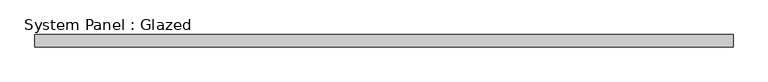
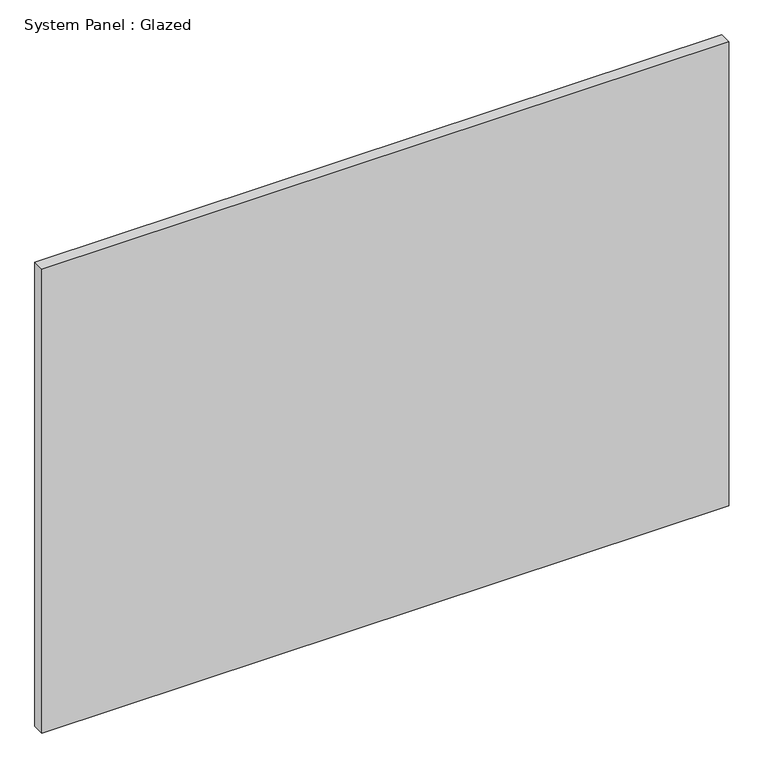
"""IFC4 building model written with IfcOpenShell, lengths in millimetres: plate geometry, System Panel : Glazed."""

import ifcopenshell
import ifcopenshell.guid

model = None  # the IFC model being written
_history = None  # IfcOwnerHistory: only IFC2X3 demands one
_inside = {}  # id of a spatial element -> (the spatial element, [elements in it])
_under = {}  # id of a project, library or spatial element -> (it, [spatial elements below it])
_declared = {}  # id of a project -> (the project, [libraries it declares])
_typed = {}  # id of a type object -> (the type object, [elements of that type])
_made_of = {}  # id of a material, layer set ... -> (it, [elements and type objects made of it])


def new_model(schema):
    """Start an empty IFC model of exactly this schema.

    Asked for "IFC4X3", IfcOpenShell would pick the latest addendum, in which some entities
    have other attributes; the version numbers below select the first issue.
    IFC2X3 requires an IfcOwnerHistory on every rooted entity: one is made here for all.
    """
    global model, _history
    if schema == "IFC4X3":
        model = ifcopenshell.file(schema_version=(4, 3, 0, 0))
    else:
        model = ifcopenshell.file(schema=schema)
    _inside.clear()
    _under.clear()
    _declared.clear()
    _typed.clear()
    _made_of.clear()
    _history = None
    if model.schema == "IFC2X3":
        org = make("IfcOrganization", Name="unknown")
        user = make(
            "IfcPersonAndOrganization",
            ThePerson=make("IfcPerson", FamilyName="unknown"),
            TheOrganization=org,
        )
        app = make(
            "IfcApplication",
            ApplicationDeveloper=org,
            Version="unknown",
            ApplicationFullName="unknown",
            ApplicationIdentifier="unknown",
        )
        _history = make(
            "IfcOwnerHistory",
            OwningUser=user,
            OwningApplication=app,
            ChangeAction="ADDED",
            CreationDate=0,
        )
    return model


def make(cls, **values):
    """One entity of the class cls with the attributes given. An attribute that is None is left unset."""
    return model.create_entity(
        cls, **{name: value for name, value in values.items() if value is not None}
    )


def rooted(cls, **values):
    """An entity with a GlobalId (a new one), such as an element, a storey or a relation."""
    return make(cls, GlobalId=ifcopenshell.guid.new(), OwnerHistory=_history, **values)


def si_unit(unit_type, name, prefix=None):
    """IfcSIUnit, for example si_unit("LENGTHUNIT", "METRE", prefix="MILLI")."""
    return make("IfcSIUnit", UnitType=unit_type, Prefix=prefix, Name=name)


def assignment(units):
    """IfcUnitAssignment: the units of a project."""
    return None if units is None else make("IfcUnitAssignment", Units=units)


def point(xyz):
    """IfcCartesianPoint."""
    return None if xyz is None else make("IfcCartesianPoint", Coordinates=xyz)


def direction(xyz):
    """IfcDirection."""
    return None if xyz is None else make("IfcDirection", DirectionRatios=xyz)


def frame(location, z_axis=None, x_axis=None):
    """IfcAxis2Placement3D, a coordinate frame: its origin and axes. An axis left out is left unset."""
    return make(
        "IfcAxis2Placement3D",
        Location=point(location),
        Axis=direction(z_axis),
        RefDirection=direction(x_axis),
    )


def origin():
    """The frame at (0, 0, 0) with its axes left unset."""
    return frame((0.0, 0.0, 0.0))


def origin_with_axes():
    """The frame at (0, 0, 0) with the z axis (0, 0, 1) and the x axis (1, 0, 0) written out."""
    return frame((0.0, 0.0, 0.0), z_axis=(0.0, 0.0, 1.0), x_axis=(1.0, 0.0, 0.0))


def place(relative_to, where):
    """IfcLocalPlacement: puts the frame where relative to a parent placement (None: the world)."""
    return make(
        "IfcLocalPlacement", PlacementRelTo=relative_to, RelativePlacement=where
    )


def context(
    kind, dimensions, precision=None, world=None, true_north=None, identifier=None
):
    """IfcGeometricRepresentationContext, for example the 3D "Model" context."""
    return make(
        "IfcGeometricRepresentationContext",
        ContextIdentifier=identifier,
        ContextType=kind,
        CoordinateSpaceDimension=dimensions,
        Precision=precision,
        WorldCoordinateSystem=world,
        TrueNorth=true_north,
    )


def project(units=None, contexts=None):
    """IfcProject with its units and contexts."""
    return rooted(
        "IfcProject",
        Name="project",
        RepresentationContexts=contexts,
        UnitsInContext=assignment(units),
    )


def spatial(cls, under=None, at=None, **own):
    """A site, building, storey or space (cls), placed at a placement, below another one or the project."""
    s = rooted(cls, ObjectPlacement=at, **own)
    if under is not None:
        _under.setdefault(under.id(), (under, []))[1].append(s)
    return s


def polyline(points):
    """IfcPolyline through the points."""
    return make("IfcPolyline", Points=[point(p) for p in points])


def outline(outer, holes=None, kind="AREA"):
    """IfcArbitraryClosedProfileDef: a profile drawn as a closed curve; with holes, ...WithVoids."""
    if holes is None:
        return make("IfcArbitraryClosedProfileDef", ProfileType=kind, OuterCurve=outer)
    return make(
        "IfcArbitraryProfileDefWithVoids",
        ProfileType=kind,
        OuterCurve=outer,
        InnerCurves=holes,
    )


def extrude(swept, where, along, depth):
    """IfcExtrudedAreaSolid: the profile swept, set in the frame where, extruded along a direction by depth."""
    return make(
        "IfcExtrudedAreaSolid",
        SweptArea=swept,
        Position=where,
        ExtrudedDirection=direction(along),
        Depth=depth,
    )


def shape(context_of_items, identifier, shape_type, items):
    """IfcShapeRepresentation: the items that make up one representation, for example the "Body"."""
    return make(
        "IfcShapeRepresentation",
        ContextOfItems=context_of_items,
        RepresentationIdentifier=identifier,
        RepresentationType=shape_type,
        Items=items,
    )


def source(mapping_origin, context_of_items, identifier, shape_type, items):
    """IfcRepresentationMap: a shape defined once, which mapped items show again and again."""
    return make(
        "IfcRepresentationMap",
        MappingOrigin=mapping_origin,
        MappedRepresentation=shape(context_of_items, identifier, shape_type, items),
    )


def transform(
    local_origin,
    x_axis=None,
    y_axis=None,
    z_axis=None,
    scale=None,
    scale2=None,
    scale3=None,
    uniform=True,
):
    """IfcCartesianTransformationOperator3D, or its non-uniform kind. x_axis, y_axis, z_axis: its Axis1, 2, 3."""
    if uniform:
        return make(
            "IfcCartesianTransformationOperator3D",
            Axis1=direction(x_axis),
            Axis2=direction(y_axis),
            LocalOrigin=point(local_origin),
            Scale=scale,
            Axis3=direction(z_axis),
        )
    return make(
        "IfcCartesianTransformationOperator3DnonUniform",
        Axis1=direction(x_axis),
        Axis2=direction(y_axis),
        LocalOrigin=point(local_origin),
        Scale=scale,
        Axis3=direction(z_axis),
        Scale2=scale2,
        Scale3=scale3,
    )


def mapped(mapping_source, mapping_target):
    """IfcMappedItem: shows the shape of a source again, moved by a transform."""
    return make(
        "IfcMappedItem", MappingSource=mapping_source, MappingTarget=mapping_target
    )


def made_of(thing, what):
    """Note that an element or type object is made of a material, layer set ...; save() writes the relation."""
    if what is not None:
        _made_of.setdefault(what.id(), (what, []))[1].append(thing)
    return thing


def element(
    cls,
    number,
    at=None,
    inside=None,
    cuts=None,
    type_object=None,
    material=None,
    context=None,
    identifier="Body",
    shape_type=None,
    held_by="IfcProductDefinitionShape",
    body=None,
    shapes=None,
    **own,
):
    """One element of the class cls, such as IfcWall. Its Tag is "e" and its number.

    at: its placement. inside: the storey or other place that contains it. cuts: it is an
    opening in that element (IfcRelVoidsElement). A single representation is given by context,
    identifier, shape_type and body (its items); several are given by shapes. held_by: the class
    of the entity that holds the representations. save() writes the other relations.
    """
    e = rooted(cls, Tag="e%d" % number, ObjectPlacement=at, **own)
    if body is not None:
        shapes = [shape(context, identifier, shape_type, body)]
    if shapes is not None:
        e.Representation = make(held_by, Representations=shapes)
    if inside is not None:
        _inside.setdefault(inside.id(), (inside, []))[1].append(e)
    if cuts is not None:
        rooted(
            "IfcRelVoidsElement", RelatingBuildingElement=cuts, RelatedOpeningElement=e
        )
    if type_object is not None:
        _typed.setdefault(type_object.id(), (type_object, []))[1].append(e)
    return made_of(e, material)


def aggregate(whole, parts):
    """IfcRelAggregates: a whole, such as a stair, and the parts it consists of."""
    return rooted("IfcRelAggregates", RelatingObject=whole, RelatedObjects=parts)


def save(model, path):
    """Write the relations noted so far, then the file.

    IfcRelAggregates (storeys below a building ...), IfcRelContainedInSpatialStructure (elements
    in a storey), IfcRelDefinesByType, IfcRelAssociatesMaterial and IfcRelDeclares: one each for
    every whole, place, type object, material and project.
    """
    for whole, parts in _under.values():
        aggregate(whole, parts)
    for where, things in _inside.values():
        rooted(
            "IfcRelContainedInSpatialStructure",
            RelatedElements=things,
            RelatingStructure=where,
        )
    for kind, things in _typed.values():
        rooted("IfcRelDefinesByType", RelatedObjects=things, RelatingType=kind)
    for what, things in _made_of.values():
        rooted("IfcRelAssociatesMaterial", RelatedObjects=things, RelatingMaterial=what)
    for by, libraries in _declared.values():
        rooted("IfcRelDeclares", RelatingContext=by, RelatedDefinitions=libraries)
    model.write(path)


def system_panel_glazed_20aa0749(model_context):
    return source(origin(), model_context, "Body", "SweptSolid", [
        extrude(outline(polyline([(717.8571428, 24.5), (-717.8571428, 24.5), (-717.8571428, 49.5), (717.8571428, 49.5), (717.8571428, 24.5)])), origin_with_axes(), (0.0, 0.0, 1.0), 1025.0),
    ])


if __name__ == "__main__":
    model = new_model("IFC4")
    model_context = context("Model", 3, world=origin())
    ifc_project = project(units=[si_unit("LENGTHUNIT", "METRE", prefix="MILLI")], contexts=[model_context])
    site = spatial("IfcSite", under=ifc_project)
    building = spatial("IfcBuilding", under=site)
    placement = place(None, origin())
    system_panel_glazed_shape = system_panel_glazed_20aa0749(model_context)
    element("IfcPlate", 1, ObjectType="System Panel : Glazed", at=placement, inside=building, context=model_context, shape_type="MappedRepresentation", body=[
        mapped(system_panel_glazed_shape, transform((0.0, 0.0, 0.0), x_axis=(1.0, 0.0, 0.0), y_axis=(0.0, 1.0, 0.0), z_axis=(0.0, 0.0, 1.0))),
    ])
    save(model, "model.ifc")
